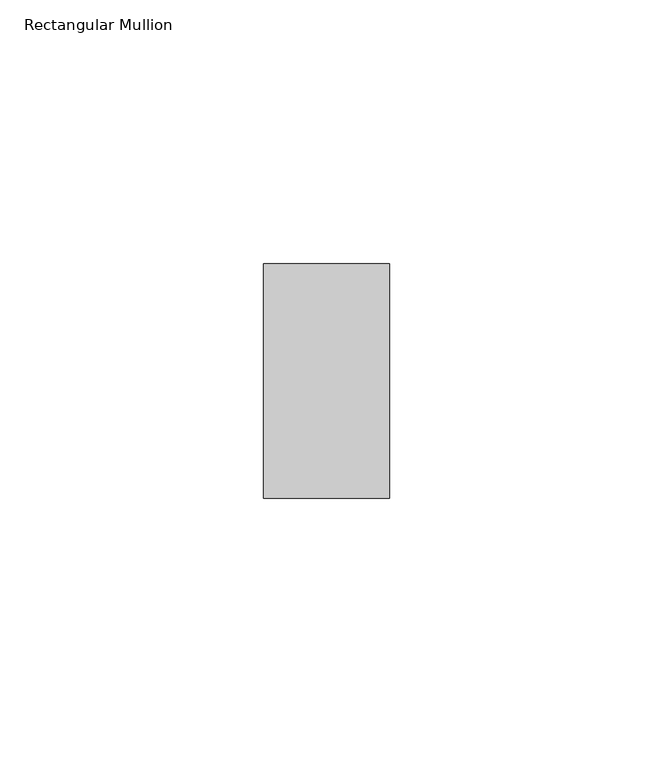
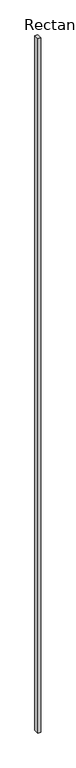
"""IFC4 building model written with IfcOpenShell, lengths in millimetres: member geometry, Rectangular Mullion."""

from ifc_helpers import new_model, si_unit, frame, origin, place, context, project, spatial, polyline, outline, extrude, source, transform, mapped, element, save


def rectangular_mullion_2a59de62(model_context):
    return source(origin(), model_context, "Body", "SweptSolid", [
        extrude(outline(polyline([(0.0, 22.225), (0.0, -22.225), (-23.8125, -22.225), (-23.8125, 22.225), (0.0, 22.225)])), frame((0.0, 0.0, -6096.0), z_axis=(0.0, 0.0, 1.0), x_axis=(1.0, 0.0, 0.0)), (0.0, 0.0, 1.0), 6096.0),
    ])


if __name__ == "__main__":
    model = new_model("IFC4")
    model_context = context("Model", 3, world=origin())
    ifc_project = project(units=[si_unit("LENGTHUNIT", "METRE", prefix="MILLI")], contexts=[model_context])
    site = spatial("IfcSite", under=ifc_project)
    building = spatial("IfcBuilding", under=site)
    placement = place(None, origin())
    rectangular_mullion_shape = rectangular_mullion_2a59de62(model_context)
    element("IfcMember", 1, ObjectType="Rectangular Mullion", at=placement, inside=building, context=model_context, shape_type="MappedRepresentation", body=[
        mapped(rectangular_mullion_shape, transform((0.0, 0.0, 0.0), x_axis=(1.0, 0.0, 0.0), y_axis=(0.0, 1.0, 0.0), z_axis=(0.0, 0.0, 1.0))),
    ])
    save(model, "model.ifc")
